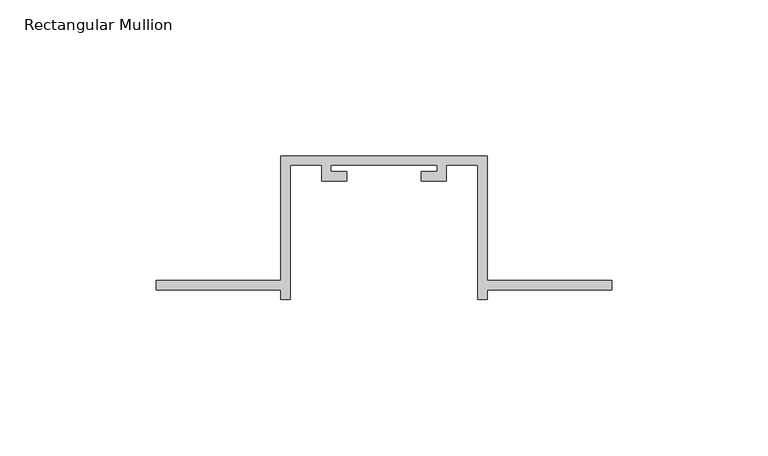
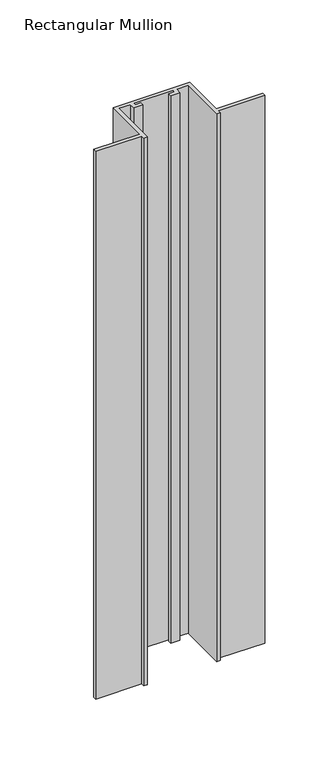
"""IFC4 building model written with IfcOpenShell, lengths in millimetres: member geometry, Rectangular Mullion."""

from ifc_helpers import new_model, si_unit, frame, origin, place, context, project, spatial, polyline, outline, extrude, source, transform, mapped, element, save


def rectangular_mullion_7527f289(model_context):
    return source(origin(), model_context, "Body", "SweptSolid", [
        extrude(outline(polyline([(-33.0, -132.0), (-73.0, -132.0), (-73.0, -129.0), (-33.0, -129.0), (-33.0, -89.0), (33.0, -89.0), (33.0, -129.0), (73.0, -129.0), (73.0, -132.0), (33.0, -132.0), (33.0, -135.0), (30.0, -135.0), (30.0, -92.0), (20.0, -92.0), (20.0, -97.0), (12.0, -97.0), (12.0, -94.0), (17.0, -94.0), (17.0, -92.0), (-17.0, -92.0), (-17.0, -94.0), (-12.0, -94.0), (-12.0, -97.0), (-20.0, -97.0), (-20.0, -92.0), (-30.0, -92.0), (-30.0, -135.0), (-33.0, -135.0), (-33.0, -132.0)])), frame((0.0, 0.0, -500.0), z_axis=(0.0, 0.0, 1.0), x_axis=(1.0, 0.0, 0.0)), (0.0, 0.0, 1.0), 500.0),
    ])


if __name__ == "__main__":
    model = new_model("IFC4")
    model_context = context("Model", 3, world=origin())
    ifc_project = project(units=[si_unit("LENGTHUNIT", "METRE", prefix="MILLI")], contexts=[model_context])
    site = spatial("IfcSite", under=ifc_project)
    building = spatial("IfcBuilding", under=site)
    placement = place(None, origin())
    rectangular_mullion_shape = rectangular_mullion_7527f289(model_context)
    element("IfcMember", 1, ObjectType="Rectangular Mullion", at=placement, inside=building, context=model_context, shape_type="MappedRepresentation", body=[
        mapped(rectangular_mullion_shape, transform((0.0, 0.0, 0.0), x_axis=(1.0, 0.0, 0.0), y_axis=(0.0, 1.0, 0.0), z_axis=(0.0, 0.0, 1.0))),
    ])
    save(model, "model.ifc")
